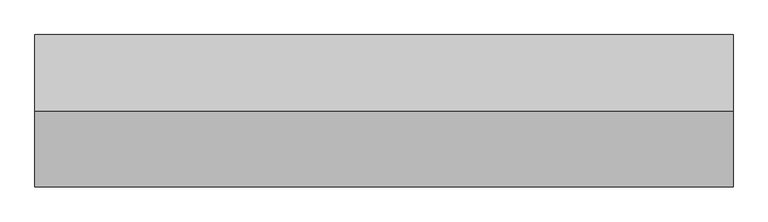
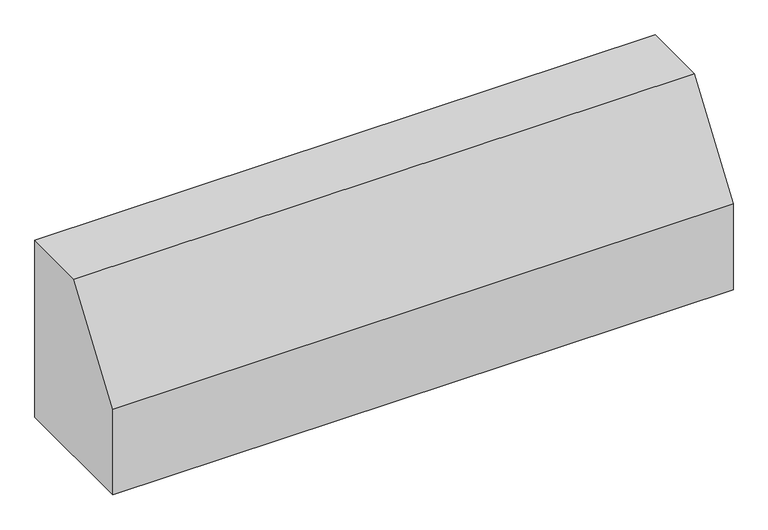
"""IFC4 building model written with IfcOpenShell, lengths in millimetres: proxy geometry."""

from ifc_helpers import new_model, si_unit, frame, origin, place, context, project, spatial, polyline, outline, extrude, source, transform, mapped, element, save


def generic_models_83c29a4f(model_context):
    return source(origin(), model_context, "Body", "SweptSolid", [
        extrude(outline(polyline([(6412.8552788, 8500.0), (6762.8552788, 8500.0), (6762.8552788, 7530.9355339), (6062.8552788, 7530.9355339), (6062.8552788, 8000.0), (6412.8552788, 8500.0)])), frame((-7980.0, 0.0, 0.0), z_axis=(1.0, 0.0, 0.0), x_axis=(0.0, 1.0, 0.0)), (0.0, 0.0, 1.0), 3210.0),
    ])


if __name__ == "__main__":
    model = new_model("IFC4")
    model_context = context("Model", 3, world=origin())
    ifc_project = project(units=[si_unit("LENGTHUNIT", "METRE", prefix="MILLI")], contexts=[model_context])
    site = spatial("IfcSite", under=ifc_project)
    building = spatial("IfcBuilding", under=site)
    placement = place(None, origin())
    generic_models_shape = generic_models_83c29a4f(model_context)
    element("IfcBuildingElementProxy", 1, Name="Generic Models", at=placement, inside=building, context=model_context, shape_type="MappedRepresentation", body=[
        mapped(generic_models_shape, transform((0.0, 0.0, 0.0), x_axis=(1.0, 0.0, 0.0), y_axis=(0.0, 1.0, 0.0), z_axis=(0.0, 0.0, 1.0))),
    ])
    save(model, "model.ifc")
